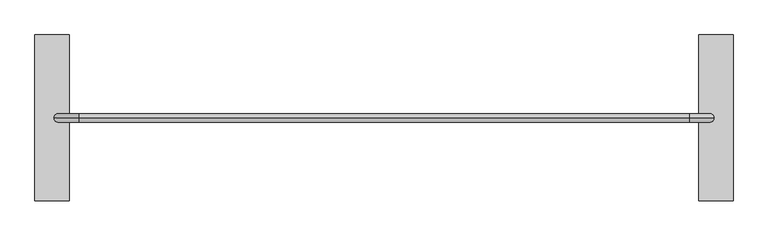
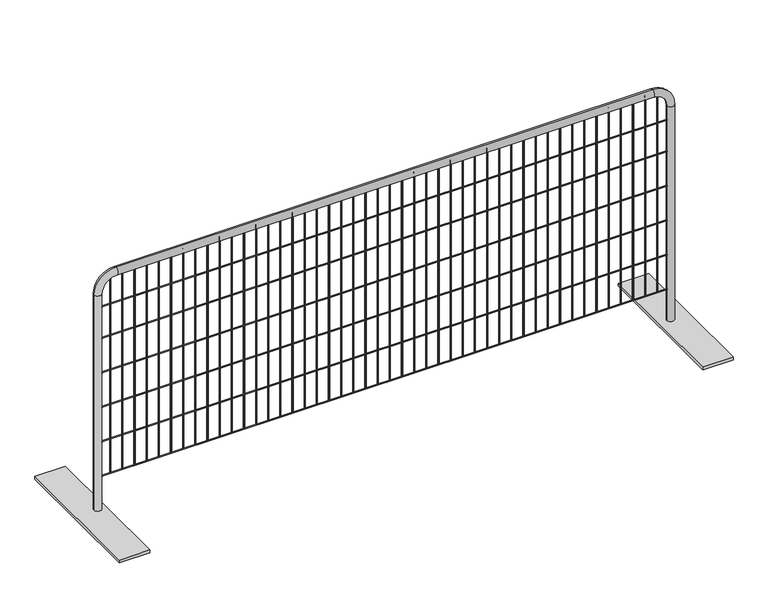
"""IFC4 building model written with IfcOpenShell, lengths in millimetres: railing geometry."""

from ifc_helpers import new_model, si_unit, point, frame, frame_2d, origin, place, context, project, spatial, polyline, circle_curve, ellipse_curve, trimmed, segment, composite_curve, outline, extrude, source, transform, mapped, element, save
from ifc_brep_helpers import plane_surface, cylinder_surface, revolved_surface, advanced_brep


def railing_3813e53f(model_context):
    return source(origin(), model_context, "Body", "SolidModel", [
        extrude(outline(polyline([(-9114.1860839, 7325.555961), (-8987.1860839, 7325.555961), (-8987.1860839, 6715.955961), (-9114.1860839, 6715.955961), (-9114.1860839, 7325.555961)])), frame((0.0, 0.0, 53340.0), z_axis=(0.0, 0.0, 1.0), x_axis=(1.0, 0.0, 0.0)), (0.0, 0.0, 1.0), 12.7),
        extrude(outline(composite_curve([segment(trimmed(circle_curve(frame_2d((-11412.7521998, 7022.813361)), 2.0574), [point((-11412.7521998, 7020.755961))], [point((-11412.7521998, 7024.870761))], False, "CARTESIAN"), True, "CONTINUOUS"), segment(trimmed(circle_curve(frame_2d((-11412.7521998, 7022.813361)), 2.0574), [point((-11412.7521998, 7024.870761))], [point((-11412.7521998, 7020.755961))], False, "CARTESIAN"), True, "CONTINUOUS")], self_intersect=False)), frame((0.0, 0.0, 53505.1), z_axis=(0.0, 0.0, 1.0), x_axis=(1.0, 0.0, 0.0)), (0.0, 0.0, 1.0), 882.65),
        extrude(outline(composite_curve([segment(trimmed(circle_curve(frame_2d((-11361.9521998, 7022.813361)), 2.0574), [point((-11361.9521998, 7020.755961))], [point((-11361.9521998, 7024.870761))], False, "CARTESIAN"), True, "CONTINUOUS"), segment(trimmed(circle_curve(frame_2d((-11361.9521998, 7022.813361)), 2.0574), [point((-11361.9521998, 7024.870761))], [point((-11361.9521998, 7020.755961))], False, "CARTESIAN"), True, "CONTINUOUS")], self_intersect=False)), frame((0.0, 0.0, 53505.1), z_axis=(0.0, 0.0, 1.0), x_axis=(1.0, 0.0, 0.0)), (0.0, 0.0, 1.0), 882.65),
        extrude(outline(composite_curve([segment(trimmed(circle_curve(frame_2d((-11311.1521998, 7022.813361)), 2.0574), [point((-11311.1521998, 7020.755961))], [point((-11311.1521998, 7024.870761))], False, "CARTESIAN"), True, "CONTINUOUS"), segment(trimmed(circle_curve(frame_2d((-11311.1521998, 7022.813361)), 2.0574), [point((-11311.1521998, 7024.870761))], [point((-11311.1521998, 7020.755961))], False, "CARTESIAN"), True, "CONTINUOUS")], self_intersect=False)), frame((0.0, 0.0, 53505.1), z_axis=(0.0, 0.0, 1.0), x_axis=(1.0, 0.0, 0.0)), (0.0, 0.0, 1.0), 882.65),
        extrude(outline(composite_curve([segment(trimmed(circle_curve(frame_2d((-11260.3521998, 7022.813361)), 2.0574), [point((-11260.3521998, 7020.755961))], [point((-11260.3521998, 7024.870761))], False, "CARTESIAN"), True, "CONTINUOUS"), segment(trimmed(circle_curve(frame_2d((-11260.3521998, 7022.813361)), 2.0574), [point((-11260.3521998, 7024.870761))], [point((-11260.3521998, 7020.755961))], False, "CARTESIAN"), True, "CONTINUOUS")], self_intersect=False)), frame((0.0, 0.0, 53505.1), z_axis=(0.0, 0.0, 1.0), x_axis=(1.0, 0.0, 0.0)), (0.0, 0.0, 1.0), 882.65),
        extrude(outline(composite_curve([segment(trimmed(circle_curve(frame_2d((-11209.5521998, 7022.813361)), 2.0574), [point((-11209.5521998, 7020.755961))], [point((-11209.5521998, 7024.870761))], False, "CARTESIAN"), True, "CONTINUOUS"), segment(trimmed(circle_curve(frame_2d((-11209.5521998, 7022.813361)), 2.0574), [point((-11209.5521998, 7024.870761))], [point((-11209.5521998, 7020.755961))], False, "CARTESIAN"), True, "CONTINUOUS")], self_intersect=False)), frame((0.0, 0.0, 53505.1), z_axis=(0.0, 0.0, 1.0), x_axis=(1.0, 0.0, 0.0)), (0.0, 0.0, 1.0), 882.65),
        extrude(outline(composite_curve([segment(trimmed(circle_curve(frame_2d((-11158.7521998, 7022.813361)), 2.0574), [point((-11158.7521998, 7020.755961))], [point((-11158.7521998, 7024.870761))], False, "CARTESIAN"), True, "CONTINUOUS"), segment(trimmed(circle_curve(frame_2d((-11158.7521998, 7022.813361)), 2.0574), [point((-11158.7521998, 7024.870761))], [point((-11158.7521998, 7020.755961))], False, "CARTESIAN"), True, "CONTINUOUS")], self_intersect=False)), frame((0.0, 0.0, 53505.1), z_axis=(0.0, 0.0, 1.0), x_axis=(1.0, 0.0, 0.0)), (0.0, 0.0, 1.0), 882.65),
        extrude(outline(composite_curve([segment(trimmed(circle_curve(frame_2d((-11107.9521998, 7022.813361)), 2.0574), [point((-11107.9521998, 7020.755961))], [point((-11107.9521998, 7024.870761))], False, "CARTESIAN"), True, "CONTINUOUS"), segment(trimmed(circle_curve(frame_2d((-11107.9521998, 7022.813361)), 2.0574), [point((-11107.9521998, 7024.870761))], [point((-11107.9521998, 7020.755961))], False, "CARTESIAN"), True, "CONTINUOUS")], self_intersect=False)), frame((0.0, 0.0, 53505.1), z_axis=(0.0, 0.0, 1.0), x_axis=(1.0, 0.0, 0.0)), (0.0, 0.0, 1.0), 882.65),
        extrude(outline(composite_curve([segment(trimmed(circle_curve(frame_2d((-11057.1521998, 7022.813361)), 2.0574), [point((-11057.1521998, 7020.755961))], [point((-11057.1521998, 7024.870761))], False, "CARTESIAN"), True, "CONTINUOUS"), segment(trimmed(circle_curve(frame_2d((-11057.1521998, 7022.813361)), 2.0574), [point((-11057.1521998, 7024.870761))], [point((-11057.1521998, 7020.755961))], False, "CARTESIAN"), True, "CONTINUOUS")], self_intersect=False)), frame((0.0, 0.0, 53505.1), z_axis=(0.0, 0.0, 1.0), x_axis=(1.0, 0.0, 0.0)), (0.0, 0.0, 1.0), 882.65),
        extrude(outline(composite_curve([segment(trimmed(circle_curve(frame_2d((-11006.3521998, 7022.813361)), 2.0574), [point((-11006.3521998, 7020.755961))], [point((-11006.3521998, 7024.870761))], False, "CARTESIAN"), True, "CONTINUOUS"), segment(trimmed(circle_curve(frame_2d((-11006.3521998, 7022.813361)), 2.0574), [point((-11006.3521998, 7024.870761))], [point((-11006.3521998, 7020.755961))], False, "CARTESIAN"), True, "CONTINUOUS")], self_intersect=False)), frame((0.0, 0.0, 53505.1), z_axis=(0.0, 0.0, 1.0), x_axis=(1.0, 0.0, 0.0)), (0.0, 0.0, 1.0), 882.65),
        extrude(outline(composite_curve([segment(trimmed(circle_curve(frame_2d((-10955.5521998, 7022.813361)), 2.0574), [point((-10955.5521998, 7020.755961))], [point((-10955.5521998, 7024.870761))], False, "CARTESIAN"), True, "CONTINUOUS"), segment(trimmed(circle_curve(frame_2d((-10955.5521998, 7022.813361)), 2.0574), [point((-10955.5521998, 7024.870761))], [point((-10955.5521998, 7020.755961))], False, "CARTESIAN"), True, "CONTINUOUS")], self_intersect=False)), frame((0.0, 0.0, 53505.1), z_axis=(0.0, 0.0, 1.0), x_axis=(1.0, 0.0, 0.0)), (0.0, 0.0, 1.0), 882.65),
        extrude(outline(composite_curve([segment(trimmed(circle_curve(frame_2d((-10904.7521998, 7022.813361)), 2.0574), [point((-10904.7521998, 7020.755961))], [point((-10904.7521998, 7024.870761))], False, "CARTESIAN"), True, "CONTINUOUS"), segment(trimmed(circle_curve(frame_2d((-10904.7521998, 7022.813361)), 2.0574), [point((-10904.7521998, 7024.870761))], [point((-10904.7521998, 7020.755961))], False, "CARTESIAN"), True, "CONTINUOUS")], self_intersect=False)), frame((0.0, 0.0, 53505.1), z_axis=(0.0, 0.0, 1.0), x_axis=(1.0, 0.0, 0.0)), (0.0, 0.0, 1.0), 882.65),
        extrude(outline(composite_curve([segment(trimmed(circle_curve(frame_2d((-10853.9521998, 7022.813361)), 2.0574), [point((-10853.9521998, 7020.755961))], [point((-10853.9521998, 7024.870761))], False, "CARTESIAN"), True, "CONTINUOUS"), segment(trimmed(circle_curve(frame_2d((-10853.9521998, 7022.813361)), 2.0574), [point((-10853.9521998, 7024.870761))], [point((-10853.9521998, 7020.755961))], False, "CARTESIAN"), True, "CONTINUOUS")], self_intersect=False)), frame((0.0, 0.0, 53505.1), z_axis=(0.0, 0.0, 1.0), x_axis=(1.0, 0.0, 0.0)), (0.0, 0.0, 1.0), 882.65),
        extrude(outline(composite_curve([segment(trimmed(circle_curve(frame_2d((-10803.1521998, 7022.813361)), 2.0574), [point((-10803.1521998, 7020.755961))], [point((-10803.1521998, 7024.870761))], False, "CARTESIAN"), True, "CONTINUOUS"), segment(trimmed(circle_curve(frame_2d((-10803.1521998, 7022.813361)), 2.0574), [point((-10803.1521998, 7024.870761))], [point((-10803.1521998, 7020.755961))], False, "CARTESIAN"), True, "CONTINUOUS")], self_intersect=False)), frame((0.0, 0.0, 53505.1), z_axis=(0.0, 0.0, 1.0), x_axis=(1.0, 0.0, 0.0)), (0.0, 0.0, 1.0), 882.65),
        extrude(outline(composite_curve([segment(trimmed(circle_curve(frame_2d((-10752.3521998, 7022.813361)), 2.0574), [point((-10752.3521998, 7020.755961))], [point((-10752.3521998, 7024.870761))], False, "CARTESIAN"), True, "CONTINUOUS"), segment(trimmed(circle_curve(frame_2d((-10752.3521998, 7022.813361)), 2.0574), [point((-10752.3521998, 7024.870761))], [point((-10752.3521998, 7020.755961))], False, "CARTESIAN"), True, "CONTINUOUS")], self_intersect=False)), frame((0.0, 0.0, 53505.1), z_axis=(0.0, 0.0, 1.0), x_axis=(1.0, 0.0, 0.0)), (0.0, 0.0, 1.0), 882.65),
        extrude(outline(composite_curve([segment(trimmed(circle_curve(frame_2d((-10701.5521998, 7022.813361)), 2.0574), [point((-10701.5521998, 7020.755961))], [point((-10701.5521998, 7024.870761))], False, "CARTESIAN"), True, "CONTINUOUS"), segment(trimmed(circle_curve(frame_2d((-10701.5521998, 7022.813361)), 2.0574), [point((-10701.5521998, 7024.870761))], [point((-10701.5521998, 7020.755961))], False, "CARTESIAN"), True, "CONTINUOUS")], self_intersect=False)), frame((0.0, 0.0, 53505.1), z_axis=(0.0, 0.0, 1.0), x_axis=(1.0, 0.0, 0.0)), (0.0, 0.0, 1.0), 882.65),
        extrude(outline(composite_curve([segment(trimmed(circle_curve(frame_2d((-10650.7521998, 7022.813361)), 2.0574), [point((-10650.7521998, 7020.755961))], [point((-10650.7521998, 7024.870761))], False, "CARTESIAN"), True, "CONTINUOUS"), segment(trimmed(circle_curve(frame_2d((-10650.7521998, 7022.813361)), 2.0574), [point((-10650.7521998, 7024.870761))], [point((-10650.7521998, 7020.755961))], False, "CARTESIAN"), True, "CONTINUOUS")], self_intersect=False)), frame((0.0, 0.0, 53505.1), z_axis=(0.0, 0.0, 1.0), x_axis=(1.0, 0.0, 0.0)), (0.0, 0.0, 1.0), 882.65),
        extrude(outline(composite_curve([segment(trimmed(circle_curve(frame_2d((-10599.9521998, 7022.813361)), 2.0574), [point((-10599.9521998, 7020.755961))], [point((-10599.9521998, 7024.870761))], False, "CARTESIAN"), True, "CONTINUOUS"), segment(trimmed(circle_curve(frame_2d((-10599.9521998, 7022.813361)), 2.0574), [point((-10599.9521998, 7024.870761))], [point((-10599.9521998, 7020.755961))], False, "CARTESIAN"), True, "CONTINUOUS")], self_intersect=False)), frame((0.0, 0.0, 53505.1), z_axis=(0.0, 0.0, 1.0), x_axis=(1.0, 0.0, 0.0)), (0.0, 0.0, 1.0), 882.65),
        extrude(outline(composite_curve([segment(trimmed(circle_curve(frame_2d((-10549.1521998, 7022.813361)), 2.0574), [point((-10549.1521998, 7020.755961))], [point((-10549.1521998, 7024.870761))], False, "CARTESIAN"), True, "CONTINUOUS"), segment(trimmed(circle_curve(frame_2d((-10549.1521998, 7022.813361)), 2.0574), [point((-10549.1521998, 7024.870761))], [point((-10549.1521998, 7020.755961))], False, "CARTESIAN"), True, "CONTINUOUS")], self_intersect=False)), frame((0.0, 0.0, 53505.1), z_axis=(0.0, 0.0, 1.0), x_axis=(1.0, 0.0, 0.0)), (0.0, 0.0, 1.0), 882.65),
        extrude(outline(composite_curve([segment(trimmed(circle_curve(frame_2d((-10498.3521998, 7022.813361)), 2.0574), [point((-10498.3521998, 7020.755961))], [point((-10498.3521998, 7024.870761))], False, "CARTESIAN"), True, "CONTINUOUS"), segment(trimmed(circle_curve(frame_2d((-10498.3521998, 7022.813361)), 2.0574), [point((-10498.3521998, 7024.870761))], [point((-10498.3521998, 7020.755961))], False, "CARTESIAN"), True, "CONTINUOUS")], self_intersect=False)), frame((0.0, 0.0, 53505.1), z_axis=(0.0, 0.0, 1.0), x_axis=(1.0, 0.0, 0.0)), (0.0, 0.0, 1.0), 882.65),
        extrude(outline(composite_curve([segment(trimmed(circle_curve(frame_2d((-10447.5521998, 7022.813361)), 2.0574), [point((-10447.5521998, 7020.755961))], [point((-10447.5521998, 7024.870761))], False, "CARTESIAN"), True, "CONTINUOUS"), segment(trimmed(circle_curve(frame_2d((-10447.5521998, 7022.813361)), 2.0574), [point((-10447.5521998, 7024.870761))], [point((-10447.5521998, 7020.755961))], False, "CARTESIAN"), True, "CONTINUOUS")], self_intersect=False)), frame((0.0, 0.0, 53505.1), z_axis=(0.0, 0.0, 1.0), x_axis=(1.0, 0.0, 0.0)), (0.0, 0.0, 1.0), 882.65),
        extrude(outline(composite_curve([segment(trimmed(circle_curve(frame_2d((-10396.7521998, 7022.813361)), 2.0574), [point((-10396.7521998, 7020.755961))], [point((-10396.7521998, 7024.870761))], False, "CARTESIAN"), True, "CONTINUOUS"), segment(trimmed(circle_curve(frame_2d((-10396.7521998, 7022.813361)), 2.0574), [point((-10396.7521998, 7024.870761))], [point((-10396.7521998, 7020.755961))], False, "CARTESIAN"), True, "CONTINUOUS")], self_intersect=False)), frame((0.0, 0.0, 53505.1), z_axis=(0.0, 0.0, 1.0), x_axis=(1.0, 0.0, 0.0)), (0.0, 0.0, 1.0), 882.65),
        extrude(outline(composite_curve([segment(trimmed(circle_curve(frame_2d((-10345.9521998, 7022.813361)), 2.0574), [point((-10345.9521998, 7020.755961))], [point((-10345.9521998, 7024.870761))], False, "CARTESIAN"), True, "CONTINUOUS"), segment(trimmed(circle_curve(frame_2d((-10345.9521998, 7022.813361)), 2.0574), [point((-10345.9521998, 7024.870761))], [point((-10345.9521998, 7020.755961))], False, "CARTESIAN"), True, "CONTINUOUS")], self_intersect=False)), frame((0.0, 0.0, 53505.1), z_axis=(0.0, 0.0, 1.0), x_axis=(1.0, 0.0, 0.0)), (0.0, 0.0, 1.0), 882.65),
        extrude(outline(composite_curve([segment(trimmed(circle_curve(frame_2d((-10295.1521998, 7022.813361)), 2.0574), [point((-10295.1521998, 7020.755961))], [point((-10295.1521998, 7024.870761))], False, "CARTESIAN"), True, "CONTINUOUS"), segment(trimmed(circle_curve(frame_2d((-10295.1521998, 7022.813361)), 2.0574), [point((-10295.1521998, 7024.870761))], [point((-10295.1521998, 7020.755961))], False, "CARTESIAN"), True, "CONTINUOUS")], self_intersect=False)), frame((0.0, 0.0, 53505.1), z_axis=(0.0, 0.0, 1.0), x_axis=(1.0, 0.0, 0.0)), (0.0, 0.0, 1.0), 882.65),
        extrude(outline(composite_curve([segment(trimmed(circle_curve(frame_2d((-10244.3521998, 7022.813361)), 2.0574), [point((-10244.3521998, 7020.755961))], [point((-10244.3521998, 7024.870761))], False, "CARTESIAN"), True, "CONTINUOUS"), segment(trimmed(circle_curve(frame_2d((-10244.3521998, 7022.813361)), 2.0574), [point((-10244.3521998, 7024.870761))], [point((-10244.3521998, 7020.755961))], False, "CARTESIAN"), True, "CONTINUOUS")], self_intersect=False)), frame((0.0, 0.0, 53505.1), z_axis=(0.0, 0.0, 1.0), x_axis=(1.0, 0.0, 0.0)), (0.0, 0.0, 1.0), 882.65),
        extrude(outline(composite_curve([segment(trimmed(circle_curve(frame_2d((-10193.5521998, 7022.813361)), 2.0574), [point((-10193.5521998, 7020.755961))], [point((-10193.5521998, 7024.870761))], False, "CARTESIAN"), True, "CONTINUOUS"), segment(trimmed(circle_curve(frame_2d((-10193.5521998, 7022.813361)), 2.0574), [point((-10193.5521998, 7024.870761))], [point((-10193.5521998, 7020.755961))], False, "CARTESIAN"), True, "CONTINUOUS")], self_intersect=False)), frame((0.0, 0.0, 53505.1), z_axis=(0.0, 0.0, 1.0), x_axis=(1.0, 0.0, 0.0)), (0.0, 0.0, 1.0), 882.65),
        extrude(outline(composite_curve([segment(trimmed(circle_curve(frame_2d((-10142.7521998, 7022.813361)), 2.0574), [point((-10142.7521998, 7020.755961))], [point((-10142.7521998, 7024.870761))], False, "CARTESIAN"), True, "CONTINUOUS"), segment(trimmed(circle_curve(frame_2d((-10142.7521998, 7022.813361)), 2.0574), [point((-10142.7521998, 7024.870761))], [point((-10142.7521998, 7020.755961))], False, "CARTESIAN"), True, "CONTINUOUS")], self_intersect=False)), frame((0.0, 0.0, 53505.1), z_axis=(0.0, 0.0, 1.0), x_axis=(1.0, 0.0, 0.0)), (0.0, 0.0, 1.0), 882.65),
        extrude(outline(composite_curve([segment(trimmed(circle_curve(frame_2d((-10091.9521998, 7022.813361)), 2.0574), [point((-10091.9521998, 7020.755961))], [point((-10091.9521998, 7024.870761))], False, "CARTESIAN"), True, "CONTINUOUS"), segment(trimmed(circle_curve(frame_2d((-10091.9521998, 7022.813361)), 2.0574), [point((-10091.9521998, 7024.870761))], [point((-10091.9521998, 7020.755961))], False, "CARTESIAN"), True, "CONTINUOUS")], self_intersect=False)), frame((0.0, 0.0, 53505.1), z_axis=(0.0, 0.0, 1.0), x_axis=(1.0, 0.0, 0.0)), (0.0, 0.0, 1.0), 882.65),
        extrude(outline(composite_curve([segment(trimmed(circle_curve(frame_2d((-10041.1521998, 7022.813361)), 2.0574), [point((-10041.1521998, 7020.755961))], [point((-10041.1521998, 7024.870761))], False, "CARTESIAN"), True, "CONTINUOUS"), segment(trimmed(circle_curve(frame_2d((-10041.1521998, 7022.813361)), 2.0574), [point((-10041.1521998, 7024.870761))], [point((-10041.1521998, 7020.755961))], False, "CARTESIAN"), True, "CONTINUOUS")], self_intersect=False)), frame((0.0, 0.0, 53505.1), z_axis=(0.0, 0.0, 1.0), x_axis=(1.0, 0.0, 0.0)), (0.0, 0.0, 1.0), 882.65),
        extrude(outline(composite_curve([segment(trimmed(circle_curve(frame_2d((-9990.3521998, 7022.813361)), 2.0574), [point((-9990.3521998, 7020.755961))], [point((-9990.3521998, 7024.870761))], False, "CARTESIAN"), True, "CONTINUOUS"), segment(trimmed(circle_curve(frame_2d((-9990.3521998, 7022.813361)), 2.0574), [point((-9990.3521998, 7024.870761))], [point((-9990.3521998, 7020.755961))], False, "CARTESIAN"), True, "CONTINUOUS")], self_intersect=False)), frame((0.0, 0.0, 53505.1), z_axis=(0.0, 0.0, 1.0), x_axis=(1.0, 0.0, 0.0)), (0.0, 0.0, 1.0), 882.65),
        extrude(outline(composite_curve([segment(trimmed(circle_curve(frame_2d((-9939.5521998, 7022.813361)), 2.0574), [point((-9939.5521998, 7020.755961))], [point((-9939.5521998, 7024.870761))], False, "CARTESIAN"), True, "CONTINUOUS"), segment(trimmed(circle_curve(frame_2d((-9939.5521998, 7022.813361)), 2.0574), [point((-9939.5521998, 7024.870761))], [point((-9939.5521998, 7020.755961))], False, "CARTESIAN"), True, "CONTINUOUS")], self_intersect=False)), frame((0.0, 0.0, 53505.1), z_axis=(0.0, 0.0, 1.0), x_axis=(1.0, 0.0, 0.0)), (0.0, 0.0, 1.0), 882.65),
        extrude(outline(composite_curve([segment(trimmed(circle_curve(frame_2d((-9888.7521998, 7022.813361)), 2.0574), [point((-9888.7521998, 7020.755961))], [point((-9888.7521998, 7024.870761))], False, "CARTESIAN"), True, "CONTINUOUS"), segment(trimmed(circle_curve(frame_2d((-9888.7521998, 7022.813361)), 2.0574), [point((-9888.7521998, 7024.870761))], [point((-9888.7521998, 7020.755961))], False, "CARTESIAN"), True, "CONTINUOUS")], self_intersect=False)), frame((0.0, 0.0, 53505.1), z_axis=(0.0, 0.0, 1.0), x_axis=(1.0, 0.0, 0.0)), (0.0, 0.0, 1.0), 882.65),
        extrude(outline(composite_curve([segment(trimmed(circle_curve(frame_2d((-9837.9521998, 7022.813361)), 2.0574), [point((-9837.9521998, 7020.755961))], [point((-9837.9521998, 7024.870761))], False, "CARTESIAN"), True, "CONTINUOUS"), segment(trimmed(circle_curve(frame_2d((-9837.9521998, 7022.813361)), 2.0574), [point((-9837.9521998, 7024.870761))], [point((-9837.9521998, 7020.755961))], False, "CARTESIAN"), True, "CONTINUOUS")], self_intersect=False)), frame((0.0, 0.0, 53505.1), z_axis=(0.0, 0.0, 1.0), x_axis=(1.0, 0.0, 0.0)), (0.0, 0.0, 1.0), 882.65),
        extrude(outline(composite_curve([segment(trimmed(circle_curve(frame_2d((-9787.1521998, 7022.813361)), 2.0574), [point((-9787.1521998, 7020.755961))], [point((-9787.1521998, 7024.870761))], False, "CARTESIAN"), True, "CONTINUOUS"), segment(trimmed(circle_curve(frame_2d((-9787.1521998, 7022.813361)), 2.0574), [point((-9787.1521998, 7024.870761))], [point((-9787.1521998, 7020.755961))], False, "CARTESIAN"), True, "CONTINUOUS")], self_intersect=False)), frame((0.0, 0.0, 53505.1), z_axis=(0.0, 0.0, 1.0), x_axis=(1.0, 0.0, 0.0)), (0.0, 0.0, 1.0), 882.65),
        extrude(outline(composite_curve([segment(trimmed(circle_curve(frame_2d((-9736.3521998, 7022.813361)), 2.0574), [point((-9736.3521998, 7020.755961))], [point((-9736.3521998, 7024.870761))], False, "CARTESIAN"), True, "CONTINUOUS"), segment(trimmed(circle_curve(frame_2d((-9736.3521998, 7022.813361)), 2.0574), [point((-9736.3521998, 7024.870761))], [point((-9736.3521998, 7020.755961))], False, "CARTESIAN"), True, "CONTINUOUS")], self_intersect=False)), frame((0.0, 0.0, 53505.1), z_axis=(0.0, 0.0, 1.0), x_axis=(1.0, 0.0, 0.0)), (0.0, 0.0, 1.0), 882.65),
        extrude(outline(composite_curve([segment(trimmed(circle_curve(frame_2d((-9685.5521998, 7022.813361)), 2.0574), [point((-9685.5521998, 7020.755961))], [point((-9685.5521998, 7024.870761))], False, "CARTESIAN"), True, "CONTINUOUS"), segment(trimmed(circle_curve(frame_2d((-9685.5521998, 7022.813361)), 2.0574), [point((-9685.5521998, 7024.870761))], [point((-9685.5521998, 7020.755961))], False, "CARTESIAN"), True, "CONTINUOUS")], self_intersect=False)), frame((0.0, 0.0, 53505.1), z_axis=(0.0, 0.0, 1.0), x_axis=(1.0, 0.0, 0.0)), (0.0, 0.0, 1.0), 882.65),
        extrude(outline(composite_curve([segment(trimmed(circle_curve(frame_2d((-9634.7521998, 7022.813361)), 2.0574), [point((-9634.7521998, 7020.755961))], [point((-9634.7521998, 7024.870761))], False, "CARTESIAN"), True, "CONTINUOUS"), segment(trimmed(circle_curve(frame_2d((-9634.7521998, 7022.813361)), 2.0574), [point((-9634.7521998, 7024.870761))], [point((-9634.7521998, 7020.755961))], False, "CARTESIAN"), True, "CONTINUOUS")], self_intersect=False)), frame((0.0, 0.0, 53505.1), z_axis=(0.0, 0.0, 1.0), x_axis=(1.0, 0.0, 0.0)), (0.0, 0.0, 1.0), 882.65),
        extrude(outline(composite_curve([segment(trimmed(circle_curve(frame_2d((-9583.9521998, 7022.813361)), 2.0574), [point((-9583.9521998, 7020.755961))], [point((-9583.9521998, 7024.870761))], False, "CARTESIAN"), True, "CONTINUOUS"), segment(trimmed(circle_curve(frame_2d((-9583.9521998, 7022.813361)), 2.0574), [point((-9583.9521998, 7024.870761))], [point((-9583.9521998, 7020.755961))], False, "CARTESIAN"), True, "CONTINUOUS")], self_intersect=False)), frame((0.0, 0.0, 53505.1), z_axis=(0.0, 0.0, 1.0), x_axis=(1.0, 0.0, 0.0)), (0.0, 0.0, 1.0), 882.65),
        extrude(outline(composite_curve([segment(trimmed(circle_curve(frame_2d((-9533.1521998, 7022.813361)), 2.0574), [point((-9533.1521998, 7020.755961))], [point((-9533.1521998, 7024.870761))], False, "CARTESIAN"), True, "CONTINUOUS"), segment(trimmed(circle_curve(frame_2d((-9533.1521998, 7022.813361)), 2.0574), [point((-9533.1521998, 7024.870761))], [point((-9533.1521998, 7020.755961))], False, "CARTESIAN"), True, "CONTINUOUS")], self_intersect=False)), frame((0.0, 0.0, 53505.1), z_axis=(0.0, 0.0, 1.0), x_axis=(1.0, 0.0, 0.0)), (0.0, 0.0, 1.0), 882.65),
        extrude(outline(composite_curve([segment(trimmed(circle_curve(frame_2d((-9482.3521998, 7022.813361)), 2.0574), [point((-9482.3521998, 7020.755961))], [point((-9482.3521998, 7024.870761))], False, "CARTESIAN"), True, "CONTINUOUS"), segment(trimmed(circle_curve(frame_2d((-9482.3521998, 7022.813361)), 2.0574), [point((-9482.3521998, 7024.870761))], [point((-9482.3521998, 7020.755961))], False, "CARTESIAN"), True, "CONTINUOUS")], self_intersect=False)), frame((0.0, 0.0, 53505.1), z_axis=(0.0, 0.0, 1.0), x_axis=(1.0, 0.0, 0.0)), (0.0, 0.0, 1.0), 882.65),
        extrude(outline(composite_curve([segment(trimmed(circle_curve(frame_2d((-9431.5521998, 7022.813361)), 2.0574), [point((-9431.5521998, 7020.755961))], [point((-9431.5521998, 7024.870761))], False, "CARTESIAN"), True, "CONTINUOUS"), segment(trimmed(circle_curve(frame_2d((-9431.5521998, 7022.813361)), 2.0574), [point((-9431.5521998, 7024.870761))], [point((-9431.5521998, 7020.755961))], False, "CARTESIAN"), True, "CONTINUOUS")], self_intersect=False)), frame((0.0, 0.0, 53505.1), z_axis=(0.0, 0.0, 1.0), x_axis=(1.0, 0.0, 0.0)), (0.0, 0.0, 1.0), 882.65),
        extrude(outline(composite_curve([segment(trimmed(circle_curve(frame_2d((-9380.7521998, 7022.813361)), 2.0574), [point((-9380.7521998, 7020.755961))], [point((-9380.7521998, 7024.870761))], False, "CARTESIAN"), True, "CONTINUOUS"), segment(trimmed(circle_curve(frame_2d((-9380.7521998, 7022.813361)), 2.0574), [point((-9380.7521998, 7024.870761))], [point((-9380.7521998, 7020.755961))], False, "CARTESIAN"), True, "CONTINUOUS")], self_intersect=False)), frame((0.0, 0.0, 53505.1), z_axis=(0.0, 0.0, 1.0), x_axis=(1.0, 0.0, 0.0)), (0.0, 0.0, 1.0), 882.65),
        extrude(outline(composite_curve([segment(trimmed(circle_curve(frame_2d((-9329.9521998, 7022.813361)), 2.0574), [point((-9329.9521998, 7020.755961))], [point((-9329.9521998, 7024.870761))], False, "CARTESIAN"), True, "CONTINUOUS"), segment(trimmed(circle_curve(frame_2d((-9329.9521998, 7022.813361)), 2.0574), [point((-9329.9521998, 7024.870761))], [point((-9329.9521998, 7020.755961))], False, "CARTESIAN"), True, "CONTINUOUS")], self_intersect=False)), frame((0.0, 0.0, 53505.1), z_axis=(0.0, 0.0, 1.0), x_axis=(1.0, 0.0, 0.0)), (0.0, 0.0, 1.0), 882.65),
        extrude(outline(composite_curve([segment(trimmed(circle_curve(frame_2d((-9279.1521998, 7022.813361)), 2.0574), [point((-9279.1521998, 7020.755961))], [point((-9279.1521998, 7024.870761))], False, "CARTESIAN"), True, "CONTINUOUS"), segment(trimmed(circle_curve(frame_2d((-9279.1521998, 7022.813361)), 2.0574), [point((-9279.1521998, 7024.870761))], [point((-9279.1521998, 7020.755961))], False, "CARTESIAN"), True, "CONTINUOUS")], self_intersect=False)), frame((0.0, 0.0, 53505.1), z_axis=(0.0, 0.0, 1.0), x_axis=(1.0, 0.0, 0.0)), (0.0, 0.0, 1.0), 882.65),
        extrude(outline(composite_curve([segment(trimmed(circle_curve(frame_2d((-9228.3521998, 7022.813361)), 2.0574), [point((-9228.3521998, 7020.755961))], [point((-9228.3521998, 7024.870761))], False, "CARTESIAN"), True, "CONTINUOUS"), segment(trimmed(circle_curve(frame_2d((-9228.3521998, 7022.813361)), 2.0574), [point((-9228.3521998, 7024.870761))], [point((-9228.3521998, 7020.755961))], False, "CARTESIAN"), True, "CONTINUOUS")], self_intersect=False)), frame((0.0, 0.0, 53505.1), z_axis=(0.0, 0.0, 1.0), x_axis=(1.0, 0.0, 0.0)), (0.0, 0.0, 1.0), 882.65),
        extrude(outline(composite_curve([segment(trimmed(circle_curve(frame_2d((-9177.5521998, 7022.813361)), 2.0574), [point((-9177.5521998, 7020.755961))], [point((-9177.5521998, 7024.870761))], False, "CARTESIAN"), True, "CONTINUOUS"), segment(trimmed(circle_curve(frame_2d((-9177.5521998, 7022.813361)), 2.0574), [point((-9177.5521998, 7024.870761))], [point((-9177.5521998, 7020.755961))], False, "CARTESIAN"), True, "CONTINUOUS")], self_intersect=False)), frame((0.0, 0.0, 53505.1), z_axis=(0.0, 0.0, 1.0), x_axis=(1.0, 0.0, 0.0)), (0.0, 0.0, 1.0), 882.65),
        extrude(outline(composite_curve([segment(trimmed(circle_curve(frame_2d((-9126.7521998, 7022.813361)), 2.0574), [point((-9126.7521998, 7020.755961))], [point((-9126.7521998, 7024.870761))], False, "CARTESIAN"), True, "CONTINUOUS"), segment(trimmed(circle_curve(frame_2d((-9126.7521998, 7022.813361)), 2.0574), [point((-9126.7521998, 7024.870761))], [point((-9126.7521998, 7020.755961))], False, "CARTESIAN"), True, "CONTINUOUS")], self_intersect=False)), frame((0.0, 0.0, 53505.1), z_axis=(0.0, 0.0, 1.0), x_axis=(1.0, 0.0, 0.0)), (0.0, 0.0, 1.0), 882.65),
        extrude(outline(composite_curve([segment(trimmed(circle_curve(frame_2d((7018.698561, 53505.1)), 2.0574), [point((7016.641161, 53505.1))], [point((7020.755961, 53505.1))], False, "CARTESIAN"), True, "CONTINUOUS"), segment(trimmed(circle_curve(frame_2d((7018.698561, 53505.1)), 2.0574), [point((7020.755961, 53505.1))], [point((7016.641161, 53505.1))], False, "CARTESIAN"), True, "CONTINUOUS")], self_intersect=False)), frame((-11450.9860839, 0.0, 0.0), z_axis=(1.0, 0.0, 0.0), x_axis=(0.0, 1.0, 0.0)), (0.0, 0.0, 1.0), 2362.2),
        extrude(outline(composite_curve([segment(trimmed(circle_curve(frame_2d((7018.698561, 53657.5)), 2.0574), [point((7016.641161, 53657.5))], [point((7020.755961, 53657.5))], False, "CARTESIAN"), True, "CONTINUOUS"), segment(trimmed(circle_curve(frame_2d((7018.698561, 53657.5)), 2.0574), [point((7020.755961, 53657.5))], [point((7016.641161, 53657.5))], False, "CARTESIAN"), True, "CONTINUOUS")], self_intersect=False)), frame((-11450.9860839, 0.0, 0.0), z_axis=(1.0, 0.0, 0.0), x_axis=(0.0, 1.0, 0.0)), (0.0, 0.0, 1.0), 2362.2),
        extrude(outline(composite_curve([segment(trimmed(circle_curve(frame_2d((7018.698561, 53809.9)), 2.0574), [point((7016.641161, 53809.9))], [point((7020.755961, 53809.9))], False, "CARTESIAN"), True, "CONTINUOUS"), segment(trimmed(circle_curve(frame_2d((7018.698561, 53809.9)), 2.0574), [point((7020.755961, 53809.9))], [point((7016.641161, 53809.9))], False, "CARTESIAN"), True, "CONTINUOUS")], self_intersect=False)), frame((-11450.9860839, 0.0, 0.0), z_axis=(1.0, 0.0, 0.0), x_axis=(0.0, 1.0, 0.0)), (0.0, 0.0, 1.0), 2362.2),
        extrude(outline(composite_curve([segment(trimmed(circle_curve(frame_2d((7018.698561, 53962.3)), 2.0574), [point((7016.641161, 53962.3))], [point((7020.755961, 53962.3))], False, "CARTESIAN"), True, "CONTINUOUS"), segment(trimmed(circle_curve(frame_2d((7018.698561, 53962.3)), 2.0574), [point((7020.755961, 53962.3))], [point((7016.641161, 53962.3))], False, "CARTESIAN"), True, "CONTINUOUS")], self_intersect=False)), frame((-11450.9860839, 0.0, 0.0), z_axis=(1.0, 0.0, 0.0), x_axis=(0.0, 1.0, 0.0)), (0.0, 0.0, 1.0), 2362.2),
        extrude(outline(composite_curve([segment(trimmed(circle_curve(frame_2d((7018.698561, 54114.7)), 2.0574), [point((7016.641161, 54114.7))], [point((7020.755961, 54114.7))], False, "CARTESIAN"), True, "CONTINUOUS"), segment(trimmed(circle_curve(frame_2d((7018.698561, 54114.7)), 2.0574), [point((7020.755961, 54114.7))], [point((7016.641161, 54114.7))], False, "CARTESIAN"), True, "CONTINUOUS")], self_intersect=False)), frame((-11450.9860839, 0.0, 0.0), z_axis=(1.0, 0.0, 0.0), x_axis=(0.0, 1.0, 0.0)), (0.0, 0.0, 1.0), 2362.2),
        extrude(outline(composite_curve([segment(trimmed(circle_curve(frame_2d((7018.698561, 54254.4)), 2.0574), [point((7016.641161, 54254.4))], [point((7020.755961, 54254.4))], False, "CARTESIAN"), True, "CONTINUOUS"), segment(trimmed(circle_curve(frame_2d((7018.698561, 54254.4)), 2.0574), [point((7020.755961, 54254.4))], [point((7016.641161, 54254.4))], False, "CARTESIAN"), True, "CONTINUOUS")], self_intersect=False)), frame((-11450.9860839, 0.0, 0.0), z_axis=(1.0, 0.0, 0.0), x_axis=(0.0, 1.0, 0.0)), (0.0, 0.0, 1.0), 2362.2),
        advanced_brep(
        [(-11482.7360839, 7020.755961, 53365.4), (-11450.9860839, 7020.755961, 53365.4), (-11482.7360839, 7020.755961, 54314.725), (-11450.9860839, 7020.755961, 54314.725), (-11390.6610839, 7020.755961, 54375.05), (-11390.6610839, 7020.755961, 54406.8), (-9149.1110839, 7020.755961, 54406.8), (-9149.1110839, 7020.755961, 54375.05), (-9088.7860839, 7020.755961, 54314.725), (-9057.0360839, 7020.755961, 54314.725), (-9057.0360839, 7020.755961, 53365.4), (-9088.7860839, 7020.755961, 53365.4)],
        [
            (0, 1, circle_curve(frame((-11466.8610839, 7020.755961, 53365.4), z_axis=(0.0, 0.0, -1.0), x_axis=(1.0, 0.0, 0.0)), 15.875)),
            (1, 0, circle_curve(frame((-11466.8610839, 7020.755961, 53365.4), z_axis=(0.0, 0.0, -1.0), x_axis=(1.0, 0.0, 0.0)), 15.875)),
            (0, 2),
            (2, 3, circle_curve(frame((-11466.8610839, 7020.755961, 54314.725), z_axis=(0.0, 0.0, -1.0), x_axis=(1.0, 0.0, 0.0)), 15.875)),
            (3, 1),
            (3, 2, circle_curve(frame((-11466.8610839, 7020.755961, 54314.725), z_axis=(0.0, 0.0, -1.0), x_axis=(1.0, 0.0, 0.0)), 15.875)),
            (4, 3, circle_curve(frame((-11390.6610839, 7020.755961, 54314.725), z_axis=(0.0, -1.0, 0.0), x_axis=(-1.0, 0.0, 0.0)), 60.325)),
            (2, 5, circle_curve(frame((-11390.6610839, 7020.755961, 54314.725), z_axis=(0.0, 1.0, 0.0), x_axis=(-1.0, 0.0, 0.0)), 92.075)),
            (5, 4, circle_curve(frame((-11390.6610839, 7020.755961, 54390.925), z_axis=(-1.0, 0.0, 0.0), x_axis=(0.0, 0.0, -1.0)), 15.875)),
            (4, 5, circle_curve(frame((-11390.6610839, 7020.755961, 54390.925), z_axis=(-1.0, 0.0, 0.0), x_axis=(0.0, 0.0, -1.0)), 15.875)),
            (5, 6),
            (6, 7, circle_curve(frame((-9149.1110839, 7020.755961, 54390.925), z_axis=(-1.0, 0.0, 0.0), x_axis=(0.0, 0.0, -1.0)), 15.875)),
            (7, 4),
            (7, 6, circle_curve(frame((-9149.1110839, 7020.755961, 54390.925), z_axis=(-1.0, 0.0, 0.0), x_axis=(0.0, 0.0, -1.0)), 15.875)),
            (8, 7, circle_curve(frame((-9149.1110839, 7020.755961, 54314.725), z_axis=(0.0, -1.0, 0.0), x_axis=(0.0, 0.0, 1.0)), 60.325)),
            (6, 9, circle_curve(frame((-9149.1110839, 7020.755961, 54314.725), z_axis=(0.0, 1.0, 0.0), x_axis=(0.0, 0.0, 1.0)), 92.075)),
            (9, 8, circle_curve(frame((-9072.9110839, 7020.755961, 54314.725), z_axis=(0.0, 0.0, 1.0), x_axis=(-1.0, 0.0, 0.0)), 15.875)),
            (8, 9, circle_curve(frame((-9072.9110839, 7020.755961, 54314.725), z_axis=(0.0, 0.0, 1.0), x_axis=(-1.0, 0.0, 0.0)), 15.875)),
            (10, 11, circle_curve(frame((-9072.9110839, 7020.755961, 53365.4), z_axis=(0.0, 0.0, -1.0), x_axis=(-1.0, 0.0, 0.0)), 15.875)),
            (11, 10, circle_curve(frame((-9072.9110839, 7020.755961, 53365.4), z_axis=(0.0, 0.0, -1.0), x_axis=(-1.0, 0.0, 0.0)), 15.875)),
            (9, 10),
            (11, 8),
        ],
        [
            plane_surface(frame((-11466.8610839, 7020.755961, 53365.4), z_axis=(0.0, 0.0, -1.0), x_axis=(0.0, 1.0, 0.0))),
            cylinder_surface(frame((-11466.8610839, 7020.755961, 53365.4), z_axis=(0.0, 0.0, -1.0), x_axis=(1.0, 0.0, 0.0)), 15.875),
            revolved_surface(trimmed(ellipse_curve(frame((-11466.8610839, 7020.755961, 54314.725), z_axis=(0.0, 0.0, -1.0), x_axis=(1.0, 0.0, 0.0)), 15.875, 15.875), [point((-11482.7360839, 7020.755961, 54314.725))], [point((-11450.9860839, 7020.755961, 54314.725))], True, "CARTESIAN"), (-11390.6610839, 7020.755961, 54314.725), (0.0, 1.0, 0.0)),
            revolved_surface(trimmed(ellipse_curve(frame((-11466.8610839, 7020.755961, 54314.725), z_axis=(0.0, 0.0, -1.0), x_axis=(1.0, 0.0, 0.0)), 15.875, 15.875), [point((-11450.9860839, 7020.755961, 54314.725))], [point((-11482.7360839, 7020.755961, 54314.725))], True, "CARTESIAN"), (-11390.6610839, 7020.755961, 54314.725), (0.0, 1.0, 0.0)),
            cylinder_surface(frame((-11390.6610839, 7020.755961, 54390.925), z_axis=(-1.0, 0.0, 0.0), x_axis=(0.0, 0.0, -1.0)), 15.875),
            revolved_surface(trimmed(ellipse_curve(frame((-9149.1110839, 7020.755961, 54390.925), z_axis=(-1.0, 0.0, 0.0), x_axis=(0.0, 0.0, -1.0)), 15.875, 15.875), [point((-9149.1110839, 7020.755961, 54406.8))], [point((-9149.1110839, 7020.755961, 54375.05))], True, "CARTESIAN"), (-9149.1110839, 7020.755961, 54314.725), (0.0, 1.0, 0.0)),
            revolved_surface(trimmed(ellipse_curve(frame((-9149.1110839, 7020.755961, 54390.925), z_axis=(-1.0, 0.0, 0.0), x_axis=(0.0, 0.0, -1.0)), 15.875, 15.875), [point((-9149.1110839, 7020.755961, 54375.05))], [point((-9149.1110839, 7020.755961, 54406.8))], True, "CARTESIAN"), (-9149.1110839, 7020.755961, 54314.725), (0.0, 1.0, 0.0)),
            plane_surface(frame((-9072.9110839, 7020.755961, 53365.4), z_axis=(0.0, 0.0, -1.0), x_axis=(0.0, 1.0, 0.0))),
            cylinder_surface(frame((-9072.9110839, 7020.755961, 54314.725), z_axis=(0.0, 0.0, 1.0), x_axis=(-1.0, 0.0, 0.0)), 15.875),
        ],
        [
            (0, [[1, 2]]),
            (1, [[-1, 3, 4, 5]]),
            (1, [[-2, -5, 6, -3]]),
            (2, [[7, -4, 8, 9]]),
            (3, [[-8, -6, -7, 10]]),
            (4, [[-9, 11, 12, 13]]),
            (4, [[-10, -13, 14, -11]]),
            (5, [[15, -12, 16, 17]]),
            (6, [[-16, -14, -15, 18]]),
            (7, [[19, 20]]),
            (8, [[-17, 21, -20, 22]]),
            (8, [[-18, -22, -19, -21]]),
        ],
    ),
        extrude(outline(polyline([(-11552.5860839, 7325.555961), (-11425.5860839, 7325.555961), (-11425.5860839, 6715.955961), (-11552.5860839, 6715.955961), (-11552.5860839, 7325.555961)])), frame((0.0, 0.0, 53340.0), z_axis=(0.0, 0.0, 1.0), x_axis=(1.0, 0.0, 0.0)), (0.0, 0.0, 1.0), 12.7),
    ])


if __name__ == "__main__":
    model = new_model("IFC4")
    model_context = context("Model", 3, world=origin())
    ifc_project = project(units=[si_unit("LENGTHUNIT", "METRE", prefix="MILLI")], contexts=[model_context])
    site = spatial("IfcSite", under=ifc_project)
    building = spatial("IfcBuilding", under=site)
    placement = place(None, origin())
    railing_shape = railing_3813e53f(model_context)
    element("IfcRailing", 1, at=placement, inside=building, context=model_context, shape_type="MappedRepresentation", body=[
        mapped(railing_shape, transform((0.0, 0.0, 0.0), x_axis=(1.0, 0.0, 0.0), y_axis=(0.0, 1.0, 0.0), z_axis=(0.0, 0.0, 1.0))),
    ])
    save(model, "model.ifc")
